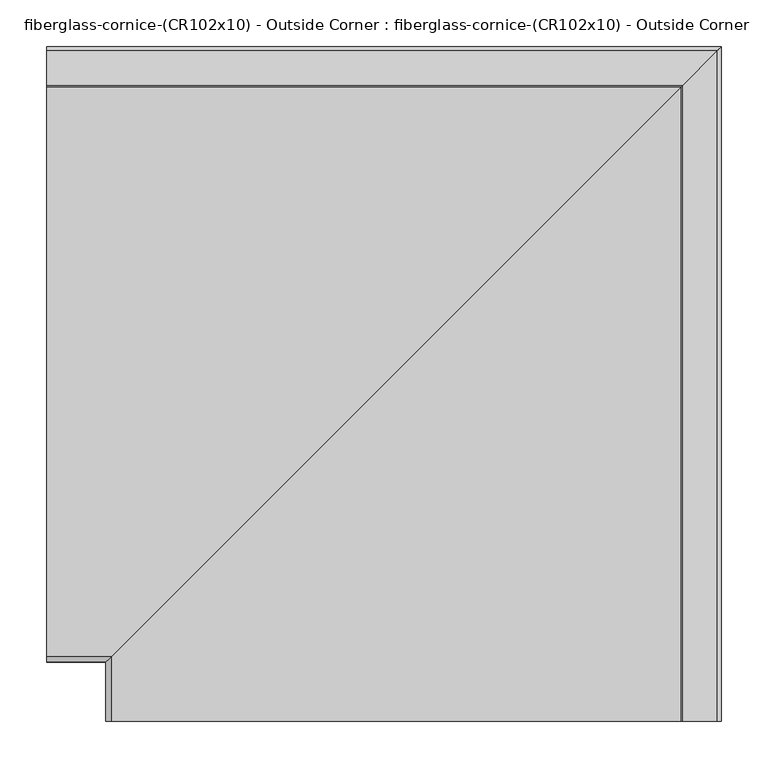
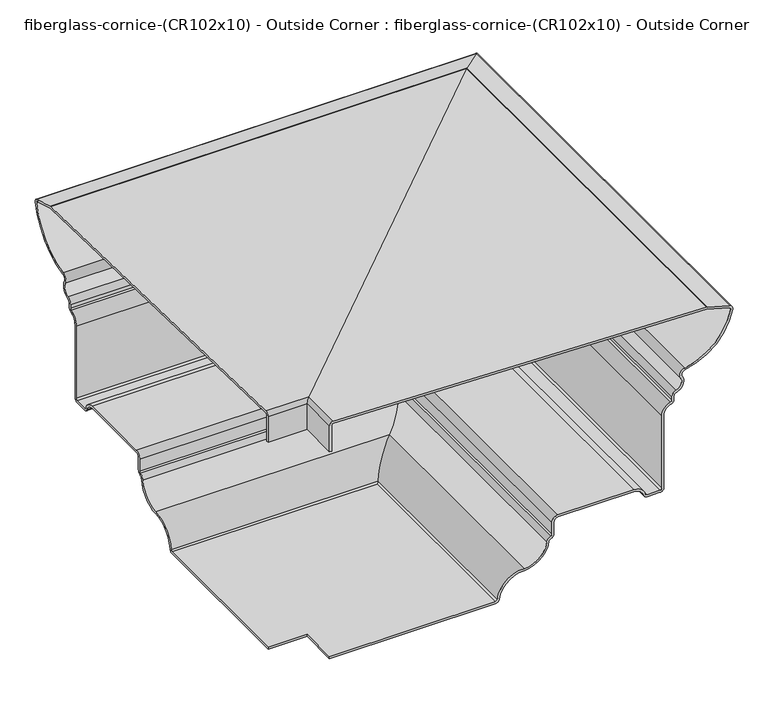
"""IFC4 building model written with IfcOpenShell, lengths in millimetres: furniture geometry, fiberglass-cornice-(CR102x10) - Outside Corner : fiberglass-cornice-(CR102x10) - Outside Corner."""

from ifc_helpers import new_model, si_unit, frame, origin, place, context, project, spatial, polyline, circle_curve, ellipse_curve, source, transform, mapped, element, save
from ifc_brep_helpers import plane_surface, cylinder_surface, revolved_surface, advanced_brep


def fiberglass_cornice_cr102x10_outside_corner_fiberglass_bb05f193(model_context):
    return source(origin(), model_context, "Body", "AdvancedBrep", [
        advanced_brep(
        [(-196.9488213, 107.9495329, 330.1999904), (-196.9488213, 717.7086559, 313.5475713), (-196.9488213, 719.2856225, 313.3039444), (-196.9488213, 756.4174474, 302.6565623), (-196.9488213, 760.8980647, 295.3584359), (-196.9488213, 682.8713075, 217.5386974), (-196.9488213, 678.6264726, 207.9971322), (-196.9488213, 669.2511578, 183.8308465), (-196.9488213, 664.6791578, 177.7348465), (-196.9488213, 664.6791187, 172.2697206), (-196.9488213, 660.1071578, 166.1959893), (-196.9488213, 648.3505863, 150.5205608), (-196.9488213, 648.3505455, 26.2647651), (-196.9488213, 642.0005863, 19.8919893), (-196.9488213, 621.1363006, 19.8919895), (-196.9488213, 615.0403006, 24.4639893), (-196.9488213, 599.3648721, 36.2205608), (-196.9488213, 475.0862804, 36.2205628), (-196.9488213, 468.7363592, 29.8432847), (-196.9488213, 468.7363592, 9.2312294), (-196.9488213, 464.4394788, 3.2223246), (-196.9488213, 460.2004552, -1.9317744), (-196.9488213, 419.7505863, -37.2580107), (-196.9488213, 379.3007175, -72.5842469), (-196.9488213, 373.0085156, -78.0794392), (-196.9488213, 101.6, -78.0794391), (-196.9488213, 101.6, -74.586939), (-196.9488213, 373.0085156, -74.586939), (-196.9488213, 375.8400065, -72.1141027), (-196.9488213, 419.7505863, -33.7655107), (-196.9488213, 456.7397442, -1.4616302), (-196.9488213, 463.3102308, 6.5272232), (-196.9488213, 465.2437655, 9.2170513), (-196.9488213, 465.2437655, 29.8705596), (-196.9488213, 475.0816126, 39.7130597), (-196.9488213, 599.3582193, 39.7130597), (-196.9488213, 618.3931006, 25.4418893), (-196.9488213, 621.1363006, 23.3844893), (-196.9488213, 642.0006243, 23.3844864), (-196.9488213, 644.8580709, 26.2326075), (-196.9488213, 644.8580709, 150.5205679), (-196.9488213, 659.1292578, 169.5487893), (-196.9488213, 661.1866442, 172.2831722), (-196.9488213, 661.1866442, 177.7348417), (-196.9488213, 668.2732578, 187.1836465), (-196.9488213, 675.6432969, 206.1810322), (-196.9488213, 682.2227911, 220.9704583), (-196.9488213, 757.4680388, 296.0160672), (-196.9488213, 755.4396445, 299.3036814), (-196.9488213, 718.1684462, 309.9910516), (-196.9488213, 107.9694373, 326.7211389), (-196.9488213, 105.0925938, 323.8703182), (-196.9488213, 105.0925938, 279.4641155), (-196.9488213, 101.6002384, 279.4641155), (-196.9488213, 101.6002384, 323.8166176), (-127.0000697, 38.0007813, 330.1999904), (-133.3493642, 38.0007813, 323.8166176), (-133.3493642, 38.0007813, 279.4641155), (-129.8570088, 38.0007813, 279.4641155), (-129.8570088, 38.0007813, 323.8703182), (-126.9801653, 38.0007813, 326.7211389), (483.2188436, 38.0007813, 309.9910516), (520.4900419, 38.0007813, 299.3036814), (522.5184362, 38.0007813, 296.0160672), (447.2731885, 38.0007813, 220.9704583), (440.6936943, 38.0007813, 206.1810322), (433.3236552, 38.0007813, 187.1836465), (426.2370552, 38.0007813, 177.7348465), (426.2370416, 38.0007813, 172.2831722), (424.1796552, 38.0007813, 169.5487893), (409.9084838, 38.0007813, 150.5205608), (409.9084683, 38.0007813, 26.2326075), (407.0509838, 38.0007813, 23.3844893), (386.1866542, 38.0007813, 23.3844864), (383.443498, 38.0007813, 25.4418893), (364.4086167, 38.0007813, 39.7130597), (240.13201, 38.0007813, 39.7130597), (230.294198, 38.0007813, 29.8705608), (230.2941629, 38.0007813, 9.2170513), (228.3606282, 38.0007813, 6.5272232), (221.7901416, 38.0007813, -1.4616302), (184.8009838, 38.0007813, -33.7655107), (140.8904039, 38.0007813, -72.1141027), (138.058913, 38.0007813, -74.5869392), (-133.3496026, 38.0007813, -74.586939), (-133.3496026, 38.0007813, -78.0794391), (138.058913, 38.0007813, -78.0794391), (144.3511149, 38.0007813, -72.5842469), (184.8009838, 38.0007813, -37.2580107), (225.2508526, 38.0007813, -1.9317744), (229.4898762, 38.0007813, 3.2223246), (233.786698, 38.0007813, 9.2312312), (233.7867566, 38.0007813, 29.8432847), (240.136698, 38.0007813, 36.2205608), (364.4152232, 38.0007813, 36.2205628), (380.090698, 38.0007813, 24.4639893), (386.186698, 38.0007813, 19.8919893), (407.0509838, 38.0007813, 19.8919895), (413.4009429, 38.0007813, 26.2647651), (413.4009429, 38.0007813, 150.5205679), (425.1575552, 38.0007813, 166.1959893), (429.7295161, 38.0007813, 172.2697206), (429.7295161, 38.0007813, 177.7348417), (434.3015552, 38.0007813, 183.8308465), (443.67687, 38.0007813, 207.9971322), (447.9217049, 38.0007813, 217.5386974), (525.9484621, 38.0007813, 295.3584359), (521.4678448, 38.0007813, 302.6565623), (484.336073, 38.0007813, 313.3039373), (482.7590757, 38.0007813, 313.547566), (-127.0000697, 107.9495329, 330.1999904), (482.7590533, 717.7086559, 313.5475713), (484.3360199, 719.2856225, 313.3039444), (521.4678448, 756.4174474, 302.6565623), (525.9484621, 760.8980647, 295.3584359), (447.9217049, 682.8713075, 217.5386974), (443.67687, 678.6264726, 207.9971322), (434.3015552, 669.2511578, 183.8308465), (429.7295552, 664.6791578, 177.7348465), (429.7295161, 664.6791187, 172.2697206), (425.1575552, 660.1071578, 166.1959893), (413.4009838, 648.3505863, 150.5205608), (413.4009429, 648.3505455, 26.2647651), (407.0509838, 642.0005863, 19.8919893), (386.186698, 621.1363006, 19.8919895), (380.090698, 615.0403006, 24.4639893), (364.4152695, 599.3648721, 36.2205608), (240.136698, 475.0863006, 36.2205628), (233.7867566, 468.7363592, 29.8432847), (233.7867566, 468.7363592, 9.2312294), (229.4898762, 464.4394788, 3.2223246), (225.2508526, 460.2004552, -1.9317744), (184.8009838, 419.7505863, -37.2580107), (144.3511149, 379.3007175, -72.5842469), (138.058913, 373.0085156, -78.0794392), (-133.3496026, 101.6, -78.0794391), (-133.3496026, 101.6, -74.586939), (138.058913, 373.0085156, -74.586939), (140.8904039, 375.8400065, -72.1141027), (184.8009838, 419.7505863, -33.7655107), (221.7901416, 456.7397442, -1.4616302), (228.3606282, 463.3102308, 6.5272232), (230.2941629, 465.2437655, 9.2170513), (230.2941629, 465.2437655, 29.8705596), (240.13201, 475.0816126, 39.7130597), (364.4086167, 599.3582193, 39.7130597), (383.443498, 618.3931006, 25.4418893), (386.186698, 621.1363006, 23.3844893), (407.0509838, 642.0005863, 23.3844864), (409.9084683, 644.8580709, 26.2326075), (409.9084683, 644.8580709, 150.5205679), (424.1796552, 659.1292578, 169.5487893), (426.2370416, 661.1866442, 172.2831722), (426.2370416, 661.1866442, 177.7348417), (433.3236552, 668.2732578, 187.1836465), (440.6936943, 675.6432969, 206.1810322), (447.2731885, 682.2227911, 220.9704583), (522.5184362, 757.4680388, 296.0160672), (520.4900419, 755.4396445, 299.3036814), (483.2188436, 718.1684462, 309.9910516), (-126.9801653, 107.9694373, 326.7211389), (-129.8570088, 105.0925938, 323.8703182), (-129.8570088, 105.0925938, 279.4641155), (-133.3493642, 101.6002384, 279.4641155), (-133.3493642, 101.6002384, 323.8166176)],
        [
            (0, 1),
            (1, 2, circle_curve(frame((-196.9488213, 717.5353253, 307.1999327), z_axis=(-1.0, 0.0, 0.0), x_axis=(0.0, 1.0, 0.0)), 6.35)),
            (2, 3),
            (3, 4, circle_curve(frame((-196.9488213, 754.6616541, 296.5541292), z_axis=(-1.0, 0.0, 0.0), x_axis=(0.0, 1.0, 0.0)), 6.35)),
            (4, 5, circle_curve(frame((-196.9488213, 664.6791578, 313.8062751), z_axis=(-1.0, 0.0, 0.0), x_axis=(0.0, 1.0, 0.0)), 97.9714286)),
            (5, 6, circle_curve(frame((-196.9488213, 684.0504283, 211.2991322), z_axis=(1.0, 0.0, 0.0), x_axis=(0.0, 1.0, 0.0)), 6.35)),
            (6, 7, circle_curve(frame((-196.9488213, 664.6791578, 199.5062751), z_axis=(-1.0, 0.0, 0.0), x_axis=(0.0, 1.0, 0.0)), 16.3285714)),
            (7, 8, circle_curve(frame((-196.9488213, 671.0291578, 177.7348465), z_axis=(1.0, 0.0, 0.0), x_axis=(0.0, 1.0, 0.0)), 6.35)),
            (8, 9),
            (9, 10, circle_curve(frame((-196.9488213, 658.3291578, 172.2919893), z_axis=(-1.0, 0.0, 0.0), x_axis=(0.0, 1.0, 0.0)), 6.35)),
            (10, 11, circle_curve(frame((-196.9488213, 664.6791578, 150.5205608), z_axis=(1.0, 0.0, 0.0), x_axis=(0.0, 1.0, 0.0)), 16.3285714)),
            (11, 12),
            (12, 13, circle_curve(frame((-196.9488213, 642.0005863, 26.2419893), z_axis=(-1.0, 0.0, 0.0), x_axis=(0.0, 1.0, 0.0)), 6.35)),
            (13, 14),
            (14, 15, circle_curve(frame((-196.9488213, 621.1363006, 26.2419893), z_axis=(-1.0, 0.0, 0.0), x_axis=(0.0, 1.0, 0.0)), 6.35)),
            (15, 16, circle_curve(frame((-196.9488213, 599.3648721, 19.8919893), z_axis=(1.0, 0.0, 0.0), x_axis=(0.0, 1.0, 0.0)), 16.3285714)),
            (16, 17),
            (17, 18, circle_curve(frame((-196.9488213, 475.0863006, 29.8705608), z_axis=(1.0, 0.0, 0.0), x_axis=(0.0, 1.0, 0.0)), 6.35)),
            (18, 19),
            (19, 20, circle_curve(frame((-196.9488213, 462.3863006, 9.2312312), z_axis=(-1.0, 0.0, 0.0), x_axis=(0.0, 1.0, 0.0)), 6.35)),
            (20, 21, circle_curve(frame((-196.9488213, 466.4926571, -2.7865821), z_axis=(1.0, 0.0, 0.0), x_axis=(0.0, 1.0, 0.0)), 6.35)),
            (21, 22, circle_curve(frame((-196.9488213, 419.7505863, 3.5634179), z_axis=(-1.0, 0.0, 0.0), x_axis=(0.0, 1.0, 0.0)), 40.8214286)),
            (22, 23, circle_curve(frame((-196.9488213, 419.7505863, -78.0794392), z_axis=(1.0, 0.0, 0.0), x_axis=(0.0, 1.0, 0.0)), 40.8214286)),
            (23, 24, circle_curve(frame((-196.9488213, 373.0085156, -71.7294392), z_axis=(-1.0, 0.0, 0.0), x_axis=(0.0, 1.0, 0.0)), 6.35)),
            (24, 25),
            (25, 26),
            (26, 27),
            (27, 28, circle_curve(frame((-196.9488213, 373.0085156, -71.7294392), z_axis=(1.0, 0.0, 0.0), x_axis=(0.0, 1.0, 0.0)), 2.8575)),
            (28, 29, circle_curve(frame((-196.9488213, 419.7505863, -78.0794392), z_axis=(-1.0, 0.0, 0.0), x_axis=(0.0, 1.0, 0.0)), 44.3139286)),
            (29, 30, circle_curve(frame((-196.9488213, 419.7505863, 3.5634179), z_axis=(1.0, 0.0, 0.0), x_axis=(0.0, 1.0, 0.0)), 37.3289286)),
            (30, 31, circle_curve(frame((-196.9488213, 466.4926571, -2.7865821), z_axis=(-1.0, 0.0, 0.0), x_axis=(0.0, 1.0, 0.0)), 9.8425)),
            (31, 32, circle_curve(frame((-196.9488213, 462.3863006, 9.2312312), z_axis=(1.0, 0.0, 0.0), x_axis=(0.0, 1.0, 0.0)), 2.8575)),
            (32, 33),
            (33, 34, circle_curve(frame((-196.9488213, 475.0863006, 29.8705608), z_axis=(-1.0, 0.0, 0.0), x_axis=(0.0, 1.0, 0.0)), 9.8425)),
            (34, 35),
            (35, 36, circle_curve(frame((-196.9488213, 599.3648721, 19.8919893), z_axis=(-1.0, 0.0, 0.0), x_axis=(0.0, 1.0, 0.0)), 19.8210714)),
            (36, 37, circle_curve(frame((-196.9488213, 621.1363006, 26.2419893), z_axis=(1.0, 0.0, 0.0), x_axis=(0.0, 1.0, 0.0)), 2.8575)),
            (37, 38),
            (38, 39, circle_curve(frame((-196.9488213, 642.0005863, 26.2419893), z_axis=(1.0, 0.0, 0.0), x_axis=(0.0, 1.0, 0.0)), 2.8575)),
            (39, 40),
            (40, 41, circle_curve(frame((-196.9488213, 664.6791578, 150.5205608), z_axis=(-1.0, 0.0, 0.0), x_axis=(0.0, 1.0, 0.0)), 19.8210714)),
            (41, 42, circle_curve(frame((-196.9488213, 658.3291578, 172.2919893), z_axis=(1.0, 0.0, 0.0), x_axis=(0.0, 1.0, 0.0)), 2.8575)),
            (42, 43),
            (43, 44, circle_curve(frame((-196.9488213, 671.0291578, 177.7348465), z_axis=(-1.0, 0.0, 0.0), x_axis=(0.0, 1.0, 0.0)), 9.8425)),
            (44, 45, circle_curve(frame((-196.9488213, 664.6791578, 199.5062751), z_axis=(1.0, 0.0, 0.0), x_axis=(0.0, 1.0, 0.0)), 12.8360714)),
            (45, 46, circle_curve(frame((-196.9488213, 684.0504283, 211.2991322), z_axis=(-1.0, 0.0, 0.0), x_axis=(0.0, 1.0, 0.0)), 9.8425)),
            (46, 47, circle_curve(frame((-196.9488213, 664.6791578, 313.8062751), z_axis=(1.0, 0.0, 0.0), x_axis=(0.0, 1.0, 0.0)), 94.4789286)),
            (47, 48, circle_curve(frame((-196.9488213, 754.6616541, 296.5541292), z_axis=(1.0, 0.0, 0.0), x_axis=(0.0, 1.0, 0.0)), 2.8575)),
            (48, 49),
            (49, 50),
            (50, 51, circle_curve(frame((-196.9488213, 107.9500861, 323.8637045), z_axis=(1.0, 0.0, 0.0), x_axis=(0.0, 1.0, 0.0)), 2.8575)),
            (51, 52),
            (52, 53),
            (53, 54),
            (54, 0, circle_curve(frame((-196.9488213, 107.9501507, 323.8499905), z_axis=(-1.0, 0.0, 0.0), x_axis=(0.0, 1.0, 0.0)), 6.35)),
            (55, 56, circle_curve(frame((-126.9994519, 38.0007813, 323.8499905), z_axis=(0.0, -1.0, 0.0), x_axis=(1.0, 0.0, 0.0)), 6.35)),
            (56, 57),
            (57, 58),
            (58, 59),
            (59, 60, circle_curve(frame((-126.9995165, 38.0007813, 323.8637045), z_axis=(0.0, 1.0, 0.0), x_axis=(1.0, 0.0, 0.0)), 2.8575)),
            (60, 61),
            (61, 62),
            (62, 63, circle_curve(frame((519.7120515, 38.0007813, 296.5541292), z_axis=(0.0, 1.0, 0.0), x_axis=(1.0, 0.0, 0.0)), 2.8575)),
            (63, 64, circle_curve(frame((429.7295552, 38.0007813, 313.8062751), z_axis=(0.0, 1.0, 0.0), x_axis=(1.0, 0.0, 0.0)), 94.4789286)),
            (64, 65, circle_curve(frame((449.1008257, 38.0007813, 211.2991322), z_axis=(0.0, -1.0, 0.0), x_axis=(1.0, 0.0, 0.0)), 9.8425)),
            (65, 66, circle_curve(frame((429.7295552, 38.0007813, 199.5062751), z_axis=(0.0, 1.0, 0.0), x_axis=(1.0, 0.0, 0.0)), 12.8360714)),
            (66, 67, circle_curve(frame((436.0795552, 38.0007813, 177.7348465), z_axis=(0.0, -1.0, 0.0), x_axis=(1.0, 0.0, 0.0)), 9.8425)),
            (67, 68),
            (68, 69, circle_curve(frame((423.3795552, 38.0007813, 172.2919893), z_axis=(0.0, 1.0, 0.0), x_axis=(1.0, 0.0, 0.0)), 2.8575)),
            (69, 70, circle_curve(frame((429.7295552, 38.0007813, 150.5205608), z_axis=(0.0, -1.0, 0.0), x_axis=(1.0, 0.0, 0.0)), 19.8210714)),
            (70, 71),
            (71, 72, circle_curve(frame((407.0509838, 38.0007813, 26.2419893), z_axis=(0.0, 1.0, 0.0), x_axis=(1.0, 0.0, 0.0)), 2.8575)),
            (72, 73),
            (73, 74, circle_curve(frame((386.186698, 38.0007813, 26.2419893), z_axis=(0.0, 1.0, 0.0), x_axis=(1.0, 0.0, 0.0)), 2.8575)),
            (74, 75, circle_curve(frame((364.4152695, 38.0007813, 19.8919893), z_axis=(0.0, -1.0, 0.0), x_axis=(1.0, 0.0, 0.0)), 19.8210714)),
            (75, 76),
            (76, 77, circle_curve(frame((240.136698, 38.0007813, 29.8705608), z_axis=(0.0, -1.0, 0.0), x_axis=(1.0, 0.0, 0.0)), 9.8425)),
            (77, 78),
            (78, 79, circle_curve(frame((227.436698, 38.0007813, 9.2312312), z_axis=(0.0, 1.0, 0.0), x_axis=(1.0, 0.0, 0.0)), 2.8575)),
            (79, 80, circle_curve(frame((231.5430545, 38.0007813, -2.7865821), z_axis=(0.0, -1.0, 0.0), x_axis=(1.0, 0.0, 0.0)), 9.8425)),
            (80, 81, circle_curve(frame((184.8009838, 38.0007813, 3.5634179), z_axis=(0.0, 1.0, 0.0), x_axis=(1.0, 0.0, 0.0)), 37.3289286)),
            (81, 82, circle_curve(frame((184.8009838, 38.0007813, -78.0794392), z_axis=(0.0, -1.0, 0.0), x_axis=(1.0, 0.0, 0.0)), 44.3139286)),
            (82, 83, circle_curve(frame((138.058913, 38.0007813, -71.7294392), z_axis=(0.0, 1.0, 0.0), x_axis=(1.0, 0.0, 0.0)), 2.8575)),
            (83, 84),
            (84, 85),
            (85, 86),
            (86, 87, circle_curve(frame((138.058913, 38.0007813, -71.7294392), z_axis=(0.0, -1.0, 0.0), x_axis=(1.0, 0.0, 0.0)), 6.35)),
            (87, 88, circle_curve(frame((184.8009838, 38.0007813, -78.0794392), z_axis=(0.0, 1.0, 0.0), x_axis=(1.0, 0.0, 0.0)), 40.8214286)),
            (88, 89, circle_curve(frame((184.8009838, 38.0007813, 3.5634179), z_axis=(0.0, -1.0, 0.0), x_axis=(1.0, 0.0, 0.0)), 40.8214286)),
            (89, 90, circle_curve(frame((231.5430545, 38.0007813, -2.7865821), z_axis=(0.0, 1.0, 0.0), x_axis=(1.0, 0.0, 0.0)), 6.35)),
            (90, 91, circle_curve(frame((227.436698, 38.0007813, 9.2312312), z_axis=(0.0, -1.0, 0.0), x_axis=(1.0, 0.0, 0.0)), 6.35)),
            (91, 92),
            (92, 93, circle_curve(frame((240.136698, 38.0007813, 29.8705608), z_axis=(0.0, 1.0, 0.0), x_axis=(1.0, 0.0, 0.0)), 6.35)),
            (93, 94),
            (94, 95, circle_curve(frame((364.4152695, 38.0007813, 19.8919893), z_axis=(0.0, 1.0, 0.0), x_axis=(1.0, 0.0, 0.0)), 16.3285714)),
            (95, 96, circle_curve(frame((386.186698, 38.0007813, 26.2419893), z_axis=(0.0, -1.0, 0.0), x_axis=(1.0, 0.0, 0.0)), 6.35)),
            (96, 97),
            (97, 98, circle_curve(frame((407.0509838, 38.0007813, 26.2419893), z_axis=(0.0, -1.0, 0.0), x_axis=(1.0, 0.0, 0.0)), 6.35)),
            (98, 99),
            (99, 100, circle_curve(frame((429.7295552, 38.0007813, 150.5205608), z_axis=(0.0, 1.0, 0.0), x_axis=(1.0, 0.0, 0.0)), 16.3285714)),
            (100, 101, circle_curve(frame((423.3795552, 38.0007813, 172.2919893), z_axis=(0.0, -1.0, 0.0), x_axis=(1.0, 0.0, 0.0)), 6.35)),
            (101, 102),
            (102, 103, circle_curve(frame((436.0795552, 38.0007813, 177.7348465), z_axis=(0.0, 1.0, 0.0), x_axis=(1.0, 0.0, 0.0)), 6.35)),
            (103, 104, circle_curve(frame((429.7295552, 38.0007813, 199.5062751), z_axis=(0.0, -1.0, 0.0), x_axis=(1.0, 0.0, 0.0)), 16.3285714)),
            (104, 105, circle_curve(frame((449.1008257, 38.0007813, 211.2991322), z_axis=(0.0, 1.0, 0.0), x_axis=(1.0, 0.0, 0.0)), 6.35)),
            (105, 106, circle_curve(frame((429.7295552, 38.0007813, 313.8062751), z_axis=(0.0, -1.0, 0.0), x_axis=(1.0, 0.0, 0.0)), 97.9714286)),
            (106, 107, circle_curve(frame((519.7120515, 38.0007813, 296.5541292), z_axis=(0.0, -1.0, 0.0), x_axis=(1.0, 0.0, 0.0)), 6.35)),
            (107, 108),
            (108, 109, circle_curve(frame((482.5857227, 38.0007813, 307.1999327), z_axis=(0.0, -1.0, 0.0), x_axis=(1.0, 0.0, 0.0)), 6.35)),
            (109, 55),
            (0, 110),
            (110, 111),
            (111, 1),
            (111, 112, ellipse_curve(frame((482.5857227, 717.5353253, 307.1999327), z_axis=(-0.7071067811865563, 0.7071067811865387, 0.0), x_axis=(-0.7071067811865387, -0.7071067811865565, 0.0)), 8.9802561, 6.35)),
            (112, 2),
            (112, 113),
            (113, 3),
            (113, 114, ellipse_curve(frame((519.7120515, 754.6616541, 296.5541292), z_axis=(-0.7071067811865563, 0.7071067811865387, 0.0), x_axis=(-0.7071067811865387, -0.7071067811865565, 0.0)), 8.9802561, 6.35)),
            (114, 4),
            (114, 115, ellipse_curve(frame((429.7295552, 664.6791578, 313.8062751), z_axis=(-0.7071067811865563, 0.7071067811865387, 0.0), x_axis=(-0.7071067811865387, -0.7071067811865565, 0.0)), 138.552523, 97.9714286)),
            (115, 5),
            (115, 116, ellipse_curve(frame((449.1008257, 684.0504283, 211.2991322), z_axis=(0.7071067811865563, -0.7071067811865387, 0.0), x_axis=(0.7071067811865387, 0.7071067811865565, 0.0)), 8.9802561, 6.35)),
            (116, 6),
            (116, 117, ellipse_curve(frame((429.7295552, 664.6791578, 199.5062751), z_axis=(-0.7071067811865563, 0.7071067811865387, 0.0), x_axis=(-0.7071067811865387, -0.7071067811865565, 0.0)), 23.0920872, 16.3285714)),
            (117, 7),
            (117, 118, ellipse_curve(frame((436.0795552, 671.0291578, 177.7348465), z_axis=(0.7071067811865563, -0.7071067811865387, 0.0), x_axis=(0.7071067811865387, 0.7071067811865565, 0.0)), 8.9802561, 6.35)),
            (118, 8),
            (118, 119),
            (119, 9),
            (119, 120, ellipse_curve(frame((423.3795552, 658.3291578, 172.2919893), z_axis=(-0.7071067811865563, 0.7071067811865387, 0.0), x_axis=(-0.7071067811865387, -0.7071067811865565, 0.0)), 8.9802561, 6.35)),
            (120, 10),
            (120, 121, ellipse_curve(frame((429.7295552, 664.6791578, 150.5205608), z_axis=(0.7071067811865563, -0.7071067811865387, 0.0), x_axis=(0.7071067811865387, 0.7071067811865565, 0.0)), 23.0920872, 16.3285714)),
            (121, 11),
            (121, 122),
            (122, 12),
            (122, 123, ellipse_curve(frame((407.0509838, 642.0005863, 26.2419893), z_axis=(-0.7071067811865563, 0.7071067811865387, 0.0), x_axis=(-0.7071067811865387, -0.7071067811865565, 0.0)), 8.9802561, 6.35)),
            (123, 13),
            (123, 97),
            (96, 124),
            (124, 14),
            (124, 125, ellipse_curve(frame((386.186698, 621.1363006, 26.2419893), z_axis=(-0.7071067811865563, 0.7071067811865387, 0.0), x_axis=(-0.7071067811865387, -0.7071067811865565, 0.0)), 8.9802561, 6.35)),
            (125, 15),
            (125, 126, ellipse_curve(frame((364.4152695, 599.3648721, 19.8919893), z_axis=(0.7071067811865563, -0.7071067811865387, 0.0), x_axis=(0.7071067811865387, 0.7071067811865565, 0.0)), 23.0920872, 16.3285714)),
            (126, 16),
            (126, 94),
            (93, 127),
            (127, 17),
            (127, 128, ellipse_curve(frame((240.136698, 475.0863006, 29.8705608), z_axis=(0.7071067811865563, -0.7071067811865387, 0.0), x_axis=(0.7071067811865387, 0.7071067811865565, 0.0)), 8.9802561, 6.35)),
            (128, 18),
            (128, 129),
            (129, 19),
            (129, 130, ellipse_curve(frame((227.436698, 462.3863006, 9.2312312), z_axis=(-0.7071067811865563, 0.7071067811865387, 0.0), x_axis=(-0.7071067811865387, -0.7071067811865565, 0.0)), 8.9802561, 6.35)),
            (130, 20),
            (130, 131, ellipse_curve(frame((231.5430545, 466.4926571, -2.7865821), z_axis=(0.7071067811865563, -0.7071067811865387, 0.0), x_axis=(0.7071067811865387, 0.7071067811865565, 0.0)), 8.9802561, 6.35)),
            (131, 21),
            (131, 132, ellipse_curve(frame((184.8009838, 419.7505863, 3.5634179), z_axis=(-0.7071067811865563, 0.7071067811865387, 0.0), x_axis=(-0.7071067811865387, -0.7071067811865565, 0.0)), 57.7302179, 40.8214286)),
            (132, 22),
            (132, 133, ellipse_curve(frame((184.8009838, 419.7505863, -78.0794392), z_axis=(0.7071067811865563, -0.7071067811865387, 0.0), x_axis=(0.7071067811865387, 0.7071067811865565, 0.0)), 57.7302179, 40.8214286)),
            (133, 23),
            (133, 134, ellipse_curve(frame((138.058913, 373.0085156, -71.7294392), z_axis=(-0.7071067811865563, 0.7071067811865387, 0.0), x_axis=(-0.7071067811865387, -0.7071067811865565, 0.0)), 8.9802561, 6.35)),
            (134, 24),
            (134, 86),
            (85, 135),
            (135, 25),
            (135, 136),
            (136, 26),
            (136, 84),
            (83, 137),
            (137, 27),
            (137, 138, ellipse_curve(frame((138.058913, 373.0085156, -71.7294392), z_axis=(0.7071067811865563, -0.7071067811865387, 0.0), x_axis=(0.7071067811865387, 0.7071067811865565, 0.0)), 4.0411153, 2.8575)),
            (138, 28),
            (138, 139, ellipse_curve(frame((184.8009838, 419.7505863, -78.0794392), z_axis=(-0.7071067811865563, 0.7071067811865387, 0.0), x_axis=(-0.7071067811865387, -0.7071067811865565, 0.0)), 62.6693588, 44.3139286)),
            (139, 29),
            (139, 140, ellipse_curve(frame((184.8009838, 419.7505863, 3.5634179), z_axis=(0.7071067811865563, -0.7071067811865387, 0.0), x_axis=(0.7071067811865387, 0.7071067811865565, 0.0)), 52.7910771, 37.3289286)),
            (140, 30),
            (140, 141, ellipse_curve(frame((231.5430545, 466.4926571, -2.7865821), z_axis=(-0.7071067811865563, 0.7071067811865387, 0.0), x_axis=(-0.7071067811865387, -0.7071067811865565, 0.0)), 13.919397, 9.8425)),
            (141, 31),
            (141, 142, ellipse_curve(frame((227.436698, 462.3863006, 9.2312312), z_axis=(0.7071067811865563, -0.7071067811865387, 0.0), x_axis=(0.7071067811865387, 0.7071067811865565, 0.0)), 4.0411153, 2.8575)),
            (142, 32),
            (142, 143),
            (143, 33),
            (143, 144, ellipse_curve(frame((240.136698, 475.0863006, 29.8705608), z_axis=(-0.7071067811865563, 0.7071067811865387, 0.0), x_axis=(-0.7071067811865387, -0.7071067811865565, 0.0)), 13.919397, 9.8425)),
            (144, 34),
            (144, 76),
            (75, 145),
            (145, 35),
            (145, 146, ellipse_curve(frame((364.4152695, 599.3648721, 19.8919893), z_axis=(-0.7071067811865563, 0.7071067811865387, 0.0), x_axis=(-0.7071067811865387, -0.7071067811865565, 0.0)), 28.031228, 19.8210714)),
            (146, 36),
            (146, 147, ellipse_curve(frame((386.186698, 621.1363006, 26.2419893), z_axis=(0.7071067811865563, -0.7071067811865387, 0.0), x_axis=(0.7071067811865387, 0.7071067811865565, 0.0)), 4.0411153, 2.8575)),
            (147, 37),
            (147, 73),
            (72, 148),
            (148, 38),
            (148, 149, ellipse_curve(frame((407.0509838, 642.0005863, 26.2419893), z_axis=(0.7071067811865563, -0.7071067811865387, 0.0), x_axis=(0.7071067811865387, 0.7071067811865565, 0.0)), 4.0411153, 2.8575)),
            (149, 39),
            (149, 150),
            (150, 40),
            (150, 151, ellipse_curve(frame((429.7295552, 664.6791578, 150.5205608), z_axis=(-0.7071067811865563, 0.7071067811865387, 0.0), x_axis=(-0.7071067811865387, -0.7071067811865565, 0.0)), 28.031228, 19.8210714)),
            (151, 41),
            (151, 152, ellipse_curve(frame((423.3795552, 658.3291578, 172.2919893), z_axis=(0.7071067811865563, -0.7071067811865387, 0.0), x_axis=(0.7071067811865387, 0.7071067811865565, 0.0)), 4.0411153, 2.8575)),
            (152, 42),
            (152, 153),
            (153, 43),
            (153, 154, ellipse_curve(frame((436.0795552, 671.0291578, 177.7348465), z_axis=(-0.7071067811865563, 0.7071067811865387, 0.0), x_axis=(-0.7071067811865387, -0.7071067811865565, 0.0)), 13.919397, 9.8425)),
            (154, 44),
            (154, 155, ellipse_curve(frame((429.7295552, 664.6791578, 199.5062751), z_axis=(0.7071067811865563, -0.7071067811865387, 0.0), x_axis=(0.7071067811865387, 0.7071067811865565, 0.0)), 18.1529463, 12.8360714)),
            (155, 45),
            (155, 156, ellipse_curve(frame((449.1008257, 684.0504283, 211.2991322), z_axis=(-0.7071067811865563, 0.7071067811865387, 0.0), x_axis=(-0.7071067811865387, -0.7071067811865565, 0.0)), 13.919397, 9.8425)),
            (156, 46),
            (156, 157, ellipse_curve(frame((429.7295552, 664.6791578, 313.8062751), z_axis=(0.7071067811865563, -0.7071067811865387, 0.0), x_axis=(0.7071067811865387, 0.7071067811865565, 0.0)), 133.6133821, 94.4789286)),
            (157, 47),
            (157, 158, ellipse_curve(frame((519.7120515, 754.6616541, 296.5541292), z_axis=(0.7071067811865563, -0.7071067811865387, 0.0), x_axis=(0.7071067811865387, 0.7071067811865565, 0.0)), 4.0411153, 2.8575)),
            (158, 48),
            (158, 159),
            (159, 49),
            (159, 160),
            (160, 50),
            (160, 161, ellipse_curve(frame((-126.9995165, 107.9500861, 323.8637045), z_axis=(0.7071067811865563, -0.7071067811865387, 0.0), x_axis=(0.7071067811865387, 0.7071067811865565, 0.0)), 4.0411153, 2.8575)),
            (161, 51),
            (161, 162),
            (162, 52),
            (162, 58),
            (57, 163),
            (163, 53),
            (163, 164),
            (164, 54),
            (164, 110, ellipse_curve(frame((-126.9994519, 107.9501507, 323.8499905), z_axis=(-0.7071067811865563, 0.7071067811865387, 0.0), x_axis=(-0.7071067811865387, -0.7071067811865565, 0.0)), 8.9802561, 6.35)),
            (110, 55),
            (109, 111),
            (108, 112),
            (107, 113),
            (106, 114),
            (105, 115),
            (104, 116),
            (103, 117),
            (102, 118),
            (101, 119),
            (100, 120),
            (99, 121),
            (98, 122),
            (95, 125),
            (92, 128),
            (91, 129),
            (90, 130),
            (89, 131),
            (88, 132),
            (87, 133),
            (82, 138),
            (81, 139),
            (80, 140),
            (79, 141),
            (78, 142),
            (77, 143),
            (74, 146),
            (71, 149),
            (70, 150),
            (69, 151),
            (68, 152),
            (67, 153),
            (66, 154),
            (65, 155),
            (64, 156),
            (63, 157),
            (62, 158),
            (61, 159),
            (60, 160),
            (59, 161),
            (56, 164),
        ],
        [
            plane_surface(frame((-196.9488213, 101.6, 330.1999904), z_axis=(-1.0, 0.0, 0.0), x_axis=(0.0, 0.0, 1.0))),
            plane_surface(frame((-133.3496026, 38.0007813, 330.1999904), z_axis=(0.0, -1.0, 0.0), x_axis=(0.0, 0.0, 1.0))),
            plane_surface(frame((-196.9488213, 107.9495329, 330.1999904), z_axis=(0.0, 0.027299653345547646, 0.9996272950091013), x_axis=(1.0, 0.0, 0.0))),
            cylinder_surface(frame((-196.9488213, 717.5353253, 307.1999327), z_axis=(-1.0, 0.0, 0.0), x_axis=(0.0, 1.0, 0.0)), 6.35),
            plane_surface(frame((-196.9488213, 719.2856756, 313.3039373), z_axis=(0.0, 0.2756376140679433, 0.9612616218860147), x_axis=(1.0, 0.0, 0.0))),
            cylinder_surface(frame((-196.9488213, 754.6616541, 296.5541292), z_axis=(-1.0, 0.0, 0.0), x_axis=(0.0, 1.0, 0.0)), 6.35),
            cylinder_surface(frame((-196.9488213, 664.6791578, 313.8062751), z_axis=(-1.0, 0.0, 0.0), x_axis=(0.0, 1.0, 0.0)), 97.9714286),
            revolved_surface(polyline([(455.4508256851018, 690.4004283, 211.2991322), (-196.9488213, 690.4004283, 211.2991322)]), (-196.9488213, 684.0504283, 211.2991322), (1.0, 0.0, 0.0)),
            cylinder_surface(frame((-196.9488213, 664.6791578, 199.5062751), z_axis=(-1.0, 0.0, 0.0), x_axis=(0.0, 1.0, 0.0)), 16.3285714),
            revolved_surface(polyline([(442.4295551851019, 677.3791578, 177.7348465), (-196.9488213, 677.3791578, 177.7348465)]), (-196.9488213, 671.0291578, 177.7348465), (1.0, 0.0, 0.0)),
            plane_surface(frame((-196.9488213, 664.6791187, 177.7348417), z_axis=(0.0, 1.0, 0.0), x_axis=(1.0, 0.0, 0.0))),
            cylinder_surface(frame((-196.9488213, 658.3291578, 172.2919893), z_axis=(-1.0, 0.0, 0.0), x_axis=(0.0, 1.0, 0.0)), 6.35),
            revolved_surface(polyline([(446.0581266508709, 681.0077292, 150.5205608), (-196.9488213, 681.0077292, 150.5205608)]), (-196.9488213, 664.6791578, 150.5205608), (1.0, 0.0, 0.0)),
            plane_surface(frame((-196.9488213, 648.3505455, 150.5205679), z_axis=(0.0, 1.0, 0.0), x_axis=(1.0, 0.0, 0.0))),
            cylinder_surface(frame((-196.9488213, 642.0005863, 26.2419893), z_axis=(-1.0, 0.0, 0.0), x_axis=(0.0, 1.0, 0.0)), 6.35),
            plane_surface(frame((-196.9488213, 642.0005863, 19.8919895), z_axis=(0.0, 0.0, -1.0), x_axis=(1.0, 0.0, 0.0))),
            cylinder_surface(frame((-196.9488213, 621.1363006, 26.2419893), z_axis=(-1.0, 0.0, 0.0), x_axis=(0.0, 1.0, 0.0)), 6.35),
            revolved_surface(polyline([(380.7438409508709, 615.6934435, 19.8919893), (-196.9488213, 615.6934435, 19.8919893)]), (-196.9488213, 599.3648721, 19.8919893), (1.0, 0.0, 0.0)),
            plane_surface(frame((-196.9488213, 599.3648258, 36.2205628), z_axis=(0.0, 0.0, -1.0), x_axis=(1.0, 0.0, 0.0))),
            revolved_surface(polyline([(246.48669798510176, 481.43630060000004, 29.8705608), (-196.9488213, 481.43630060000004, 29.8705608)]), (-196.9488213, 475.0863006, 29.8705608), (1.0, 0.0, 0.0)),
            plane_surface(frame((-196.9488213, 468.7363592, 29.8432847), z_axis=(0.0, 1.0, 0.0), x_axis=(1.0, 0.0, 0.0))),
            cylinder_surface(frame((-196.9488213, 462.3863006, 9.2312312), z_axis=(-1.0, 0.0, 0.0), x_axis=(0.0, 1.0, 0.0)), 6.35),
            revolved_surface(polyline([(237.89305448510177, 472.8426571, -2.7865821), (-196.9488213, 472.8426571, -2.7865821)]), (-196.9488213, 466.4926571, -2.7865821), (1.0, 0.0, 0.0)),
            cylinder_surface(frame((-196.9488213, 419.7505863, 3.5634179), z_axis=(-1.0, 0.0, 0.0), x_axis=(0.0, 1.0, 0.0)), 40.8214286),
            revolved_surface(polyline([(225.62241235646653, 460.5720149, -78.0794392), (-196.9488213, 460.5720149, -78.0794392)]), (-196.9488213, 419.7505863, -78.0794392), (1.0, 0.0, 0.0)),
            cylinder_surface(frame((-196.9488213, 373.0085156, -71.7294392), z_axis=(-1.0, 0.0, 0.0), x_axis=(0.0, 1.0, 0.0)), 6.35),
            plane_surface(frame((-196.9488213, 373.0085156, -78.0794391), z_axis=(0.0, 0.0, -1.0), x_axis=(1.0, 0.0, 0.0))),
            plane_surface(frame((-196.9488213, 101.6, -78.0794391), z_axis=(0.0, -1.0, 0.0), x_axis=(1.0, 0.0, 0.0))),
            plane_surface(frame((-196.9488213, 101.6, -74.586939), z_axis=(0.0, 0.0, 1.0), x_axis=(1.0, 0.0, 0.0))),
            revolved_surface(polyline([(140.91641303218668, 375.8660156, -71.7294392), (-196.9488213, 375.8660156, -71.7294392)]), (-196.9488213, 373.0085156, -71.7294392), (1.0, 0.0, 0.0)),
            cylinder_surface(frame((-196.9488213, 419.7505863, -78.0794392), z_axis=(-1.0, 0.0, 0.0), x_axis=(0.0, 1.0, 0.0)), 44.3139286),
            revolved_surface(polyline([(222.1299124035514, 457.0795149, 3.5634179), (-196.9488213, 457.0795149, 3.5634179)]), (-196.9488213, 419.7505863, 3.5634179), (1.0, 0.0, 0.0)),
            cylinder_surface(frame((-196.9488213, 466.4926571, -2.7865821), z_axis=(-1.0, 0.0, 0.0), x_axis=(0.0, 1.0, 0.0)), 9.8425),
            revolved_surface(polyline([(230.2941980321867, 465.24380060000004, 9.2312312), (-196.9488213, 465.24380060000004, 9.2312312)]), (-196.9488213, 462.3863006, 9.2312312), (1.0, 0.0, 0.0)),
            plane_surface(frame((-196.9488213, 465.2437655, 9.2170513), z_axis=(0.0, -1.0, 0.0), x_axis=(1.0, 0.0, 0.0))),
            cylinder_surface(frame((-196.9488213, 475.0863006, 29.8705608), z_axis=(-1.0, 0.0, 0.0), x_axis=(0.0, 1.0, 0.0)), 9.8425),
            plane_surface(frame((-196.9488213, 475.0816126, 39.7130597), z_axis=(0.0, 0.0, 1.0), x_axis=(1.0, 0.0, 0.0))),
            cylinder_surface(frame((-196.9488213, 599.3648721, 19.8919893), z_axis=(-1.0, 0.0, 0.0), x_axis=(0.0, 1.0, 0.0)), 19.8210714),
            revolved_surface(polyline([(389.0441980321866, 623.9938006, 26.2419893), (-196.9488213, 623.9938006, 26.2419893)]), (-196.9488213, 621.1363006, 26.2419893), (1.0, 0.0, 0.0)),
            plane_surface(frame((-196.9488213, 621.1362568, 23.3844864), z_axis=(0.0, 0.0, 1.0), x_axis=(1.0, 0.0, 0.0))),
            revolved_surface(polyline([(409.9084838321867, 644.8580863, 26.2419893), (-196.9488213, 644.8580863, 26.2419893)]), (-196.9488213, 642.0005863, 26.2419893), (1.0, 0.0, 0.0)),
            plane_surface(frame((-196.9488213, 644.8580709, 26.2326075), z_axis=(0.0, -1.0, 0.0), x_axis=(1.0, 0.0, 0.0))),
            cylinder_surface(frame((-196.9488213, 664.6791578, 150.5205608), z_axis=(-1.0, 0.0, 0.0), x_axis=(0.0, 1.0, 0.0)), 19.8210714),
            revolved_surface(polyline([(426.23705523218666, 661.1866577999999, 172.2919893), (-196.9488213, 661.1866577999999, 172.2919893)]), (-196.9488213, 658.3291578, 172.2919893), (1.0, 0.0, 0.0)),
            plane_surface(frame((-196.9488213, 661.1866442, 172.2831722), z_axis=(0.0, -1.0, 0.0), x_axis=(1.0, 0.0, 0.0))),
            cylinder_surface(frame((-196.9488213, 671.0291578, 177.7348465), z_axis=(-1.0, 0.0, 0.0), x_axis=(0.0, 1.0, 0.0)), 9.8425),
            revolved_surface(polyline([(442.56562662724514, 677.5152292, 199.5062751), (-196.9488213, 677.5152292, 199.5062751)]), (-196.9488213, 664.6791578, 199.5062751), (1.0, 0.0, 0.0)),
            cylinder_surface(frame((-196.9488213, 684.0504283, 211.2991322), z_axis=(-1.0, 0.0, 0.0), x_axis=(0.0, 1.0, 0.0)), 9.8425),
            revolved_surface(polyline([(524.2084837401782, 759.1580864, 313.8062751), (-196.9488213, 759.1580864, 313.8062751)]), (-196.9488213, 664.6791578, 313.8062751), (1.0, 0.0, 0.0)),
            revolved_surface(polyline([(522.5695515321867, 757.5191540999999, 296.5541292), (-196.9488213, 757.5191540999999, 296.5541292)]), (-196.9488213, 754.6616541, 296.5541292), (1.0, 0.0, 0.0)),
            plane_surface(frame((-196.9488213, 755.4396445, 299.3036814), z_axis=(0.0, -0.275637976487323, -0.9612615179637506), x_axis=(1.0, 0.0, 0.0))),
            plane_surface(frame((-196.9488213, 718.1684462, 309.9910516), z_axis=(0.0, -0.02740712876218281, -0.9996243540915823), x_axis=(1.0, 0.0, 0.0))),
            revolved_surface(polyline([(-124.14201646781332, 110.8075861, 323.8637045), (-196.9488213, 110.8075861, 323.8637045)]), (-196.9488213, 107.9500861, 323.8637045), (1.0, 0.0, 0.0)),
            plane_surface(frame((-196.9488213, 105.0925938, 323.8703182), z_axis=(0.0, 1.0, 0.0), x_axis=(1.0, 0.0, 0.0))),
            plane_surface(frame((-196.9488213, 105.0925938, 279.4641155), z_axis=(0.0, 0.0, -1.0), x_axis=(1.0, 0.0, 0.0))),
            plane_surface(frame((-196.9488213, 101.6002384, 279.4641155), z_axis=(0.0, -1.0, 0.0), x_axis=(1.0, 0.0, 0.0))),
            cylinder_surface(frame((-196.9488213, 107.9501507, 323.8499905), z_axis=(-1.0, 0.0, 0.0), x_axis=(0.0, 1.0, 0.0)), 6.35),
            plane_surface(frame((-127.0000697, 107.9495329, 330.1999904), z_axis=(0.02729965334554765, 0.0, 0.9996272950091013), x_axis=(0.0, -1.0, 0.0))),
            cylinder_surface(frame((482.5857227, 101.6, 307.1999327), z_axis=(0.0, 1.0, 0.0), x_axis=(1.0, 0.0, 0.0)), 6.35),
            plane_surface(frame((484.336073, 719.2856756, 313.3039373), z_axis=(0.27563761406794335, 0.0, 0.9612616218860147), x_axis=(0.0, -1.0, 0.0))),
            cylinder_surface(frame((519.7120515, 101.6, 296.5541292), z_axis=(0.0, 1.0, 0.0), x_axis=(1.0, 0.0, 0.0)), 6.35),
            cylinder_surface(frame((429.7295552, 101.6, 313.8062751), z_axis=(0.0, 1.0, 0.0), x_axis=(1.0, 0.0, 0.0)), 97.9714286),
            revolved_surface(polyline([(455.4508257, 38.0007813, 211.2991322), (455.4508257, 690.400428285102, 211.2991322)]), (449.1008257, 101.6, 211.2991322), (0.0, -1.0, 0.0)),
            cylinder_surface(frame((429.7295552, 101.6, 199.5062751), z_axis=(0.0, 1.0, 0.0), x_axis=(1.0, 0.0, 0.0)), 16.3285714),
            revolved_surface(polyline([(442.42955520000004, 38.0007813, 177.7348465), (442.42955520000004, 677.3791577851019, 177.7348465)]), (436.0795552, 101.6, 177.7348465), (0.0, -1.0, 0.0)),
            plane_surface(frame((429.7295161, 664.6791187, 177.7348417), z_axis=(1.0, 0.0, 0.0), x_axis=(0.0, -1.0, 0.0))),
            cylinder_surface(frame((423.3795552, 101.6, 172.2919893), z_axis=(0.0, 1.0, 0.0), x_axis=(1.0, 0.0, 0.0)), 6.35),
            revolved_surface(polyline([(446.0581266, 38.0007813, 150.5205608), (446.0581266, 681.0077292508713, 150.5205608)]), (429.7295552, 101.6, 150.5205608), (0.0, -1.0, 0.0)),
            plane_surface(frame((413.4009429, 648.3505455, 150.5205679), z_axis=(1.0, 0.0, 0.0), x_axis=(0.0, -1.0, 0.0))),
            cylinder_surface(frame((407.0509838, 101.6, 26.2419893), z_axis=(0.0, 1.0, 0.0), x_axis=(1.0, 0.0, 0.0)), 6.35),
            cylinder_surface(frame((386.186698, 101.6, 26.2419893), z_axis=(0.0, 1.0, 0.0), x_axis=(1.0, 0.0, 0.0)), 6.35),
            revolved_surface(polyline([(380.7438409, 38.0007813, 19.8919893), (380.7438409, 615.6934435508713, 19.8919893)]), (364.4152695, 101.6, 19.8919893), (0.0, -1.0, 0.0)),
            revolved_surface(polyline([(246.486698, 38.0007813, 29.8705608), (246.486698, 481.436300585102, 29.8705608)]), (240.136698, 101.6, 29.8705608), (0.0, -1.0, 0.0)),
            plane_surface(frame((233.7867566, 468.7363592, 29.8432847), z_axis=(1.0, 0.0, 0.0), x_axis=(0.0, -1.0, 0.0))),
            cylinder_surface(frame((227.436698, 101.6, 9.2312312), z_axis=(0.0, 1.0, 0.0), x_axis=(1.0, 0.0, 0.0)), 6.35),
            revolved_surface(polyline([(237.8930545, 38.0007813, -2.7865821), (237.8930545, 472.8426570851019, -2.7865821)]), (231.5430545, 101.6, -2.7865821), (0.0, -1.0, 0.0)),
            cylinder_surface(frame((184.8009838, 101.6, 3.5634179), z_axis=(0.0, 1.0, 0.0), x_axis=(1.0, 0.0, 0.0)), 40.8214286),
            revolved_surface(polyline([(225.6224124, 38.0007813, -78.0794392), (225.6224124, 460.5720148564675, -78.0794392)]), (184.8009838, 101.6, -78.0794392), (0.0, -1.0, 0.0)),
            cylinder_surface(frame((138.058913, 101.6, -71.7294392), z_axis=(0.0, 1.0, 0.0), x_axis=(1.0, 0.0, 0.0)), 6.35),
            plane_surface(frame((-133.3496026, 101.6, -78.0794391), z_axis=(-1.0, 0.0, 0.0), x_axis=(0.0, -1.0, 0.0))),
            revolved_surface(polyline([(140.91641299999998, 38.0007813, -71.7294392), (140.91641299999998, 375.86601563218676, -71.7294392)]), (138.058913, 101.6, -71.7294392), (0.0, -1.0, 0.0)),
            cylinder_surface(frame((184.8009838, 101.6, -78.0794392), z_axis=(0.0, 1.0, 0.0), x_axis=(1.0, 0.0, 0.0)), 44.3139286),
            revolved_surface(polyline([(222.12991240000002, 38.0007813, 3.5634179), (222.12991240000002, 457.0795149035523, 3.5634179)]), (184.8009838, 101.6, 3.5634179), (0.0, -1.0, 0.0)),
            cylinder_surface(frame((231.5430545, 101.6, -2.7865821), z_axis=(0.0, 1.0, 0.0), x_axis=(1.0, 0.0, 0.0)), 9.8425),
            revolved_surface(polyline([(230.294198, 38.0007813, 9.2312312), (230.294198, 465.2438006321868, 9.2312312)]), (227.436698, 101.6, 9.2312312), (0.0, -1.0, 0.0)),
            plane_surface(frame((230.2941629, 465.2437655, 9.2170513), z_axis=(-1.0, 0.0, 0.0), x_axis=(0.0, -1.0, 0.0))),
            cylinder_surface(frame((240.136698, 101.6, 29.8705608), z_axis=(0.0, 1.0, 0.0), x_axis=(1.0, 0.0, 0.0)), 9.8425),
            cylinder_surface(frame((364.4152695, 101.6, 19.8919893), z_axis=(0.0, 1.0, 0.0), x_axis=(1.0, 0.0, 0.0)), 19.8210714),
            revolved_surface(polyline([(389.044198, 38.0007813, 26.2419893), (389.044198, 623.9938006321868, 26.2419893)]), (386.186698, 101.6, 26.2419893), (0.0, -1.0, 0.0)),
            revolved_surface(polyline([(409.9084838, 38.0007813, 26.2419893), (409.9084838, 644.8580863321868, 26.2419893)]), (407.0509838, 101.6, 26.2419893), (0.0, -1.0, 0.0)),
            plane_surface(frame((409.9084683, 644.8580709, 26.2326075), z_axis=(-1.0, 0.0, 0.0), x_axis=(0.0, -1.0, 0.0))),
            cylinder_surface(frame((429.7295552, 101.6, 150.5205608), z_axis=(0.0, 1.0, 0.0), x_axis=(1.0, 0.0, 0.0)), 19.8210714),
            revolved_surface(polyline([(426.23705520000004, 38.0007813, 172.2919893), (426.23705520000004, 661.1866578321867, 172.2919893)]), (423.3795552, 101.6, 172.2919893), (0.0, -1.0, 0.0)),
            plane_surface(frame((426.2370416, 661.1866442, 172.2831722), z_axis=(-1.0, 0.0, 0.0), x_axis=(0.0, -1.0, 0.0))),
            cylinder_surface(frame((436.0795552, 101.6, 177.7348465), z_axis=(0.0, 1.0, 0.0), x_axis=(1.0, 0.0, 0.0)), 9.8425),
            revolved_surface(polyline([(442.5656266, 38.0007813, 199.5062751), (442.5656266, 677.5152292272454, 199.5062751)]), (429.7295552, 101.6, 199.5062751), (0.0, -1.0, 0.0)),
            cylinder_surface(frame((449.1008257, 101.6, 211.2991322), z_axis=(0.0, 1.0, 0.0), x_axis=(1.0, 0.0, 0.0)), 9.8425),
            revolved_surface(polyline([(524.2084838, 38.0007813, 313.8062751), (524.2084838, 759.1580863401805, 313.8062751)]), (429.7295552, 101.6, 313.8062751), (0.0, -1.0, 0.0)),
            revolved_surface(polyline([(522.5695515, 38.0007813, 296.5541292), (522.5695515, 757.5191541321867, 296.5541292)]), (519.7120515, 101.6, 296.5541292), (0.0, -1.0, 0.0)),
            plane_surface(frame((520.4900419, 755.4396445, 299.3036814), z_axis=(-0.2756379764873231, 0.0, -0.9612615179637506), x_axis=(0.0, -1.0, 0.0))),
            plane_surface(frame((483.2188436, 718.1684462, 309.9910516), z_axis=(-0.027407128762182813, 0.0, -0.9996243540915823), x_axis=(0.0, -1.0, 0.0))),
            revolved_surface(polyline([(-124.1420165, 38.0007813, 323.8637045), (-124.1420165, 110.80758613218674, 323.8637045)]), (-126.9995165, 101.6, 323.8637045), (0.0, -1.0, 0.0)),
            plane_surface(frame((-129.8570088, 105.0925938, 323.8703182), z_axis=(1.0, 0.0, 0.0), x_axis=(0.0, -1.0, 0.0))),
            plane_surface(frame((-133.3493642, 101.6002384, 279.4641155), z_axis=(-1.0, 0.0, 0.0), x_axis=(0.0, -1.0, 0.0))),
            cylinder_surface(frame((-126.9994519, 101.6, 323.8499905), z_axis=(0.0, 1.0, 0.0), x_axis=(1.0, 0.0, 0.0)), 6.35),
        ],
        [
            (0, [[1, 2, 3, 4, 5, 6, 7, 8, 9, 10, 11, 12, 13, 14, 15, 16, 17, 18, 19, 20, 21, 22, 23, 24, 25, 26, 27, 28, 29, 30, 31, 32, 33, 34, 35, 36, 37, 38, 39, 40, 41, 42, 43, 44, 45, 46, 47, 48, 49, 50, 51, 52, 53, 54, 55]]),
            (1, [[56, 57, 58, 59, 60, 61, 62, 63, 64, 65, 66, 67, 68, 69, 70, 71, 72, 73, 74, 75, 76, 77, 78, 79, 80, 81, 82, 83, 84, 85, 86, 87, 88, 89, 90, 91, 92, 93, 94, 95, 96, 97, 98, 99, 100, 101, 102, 103, 104, 105, 106, 107, 108, 109, 110]]),
            (2, [[-1, 111, 112, 113]]),
            (3, [[-2, -113, 114, 115]]),
            (4, [[-3, -115, 116, 117]]),
            (5, [[-4, -117, 118, 119]]),
            (6, [[-5, -119, 120, 121]]),
            (7, [[-6, -121, 122, 123]]),
            (8, [[-7, -123, 124, 125]]),
            (9, [[-8, -125, 126, 127]]),
            (10, [[-9, -127, 128, 129]]),
            (11, [[-10, -129, 130, 131]]),
            (12, [[-11, -131, 132, 133]]),
            (13, [[-12, -133, 134, 135]]),
            (14, [[-13, -135, 136, 137]]),
            (15, [[-14, -137, 138, -97, 139, 140]]),
            (16, [[-15, -140, 141, 142]]),
            (17, [[-16, -142, 143, 144]]),
            (18, [[-17, -144, 145, -94, 146, 147]]),
            (19, [[-18, -147, 148, 149]]),
            (20, [[-19, -149, 150, 151]]),
            (21, [[-20, -151, 152, 153]]),
            (22, [[-21, -153, 154, 155]]),
            (23, [[-22, -155, 156, 157]]),
            (24, [[-23, -157, 158, 159]]),
            (25, [[-24, -159, 160, 161]]),
            (26, [[-25, -161, 162, -86, 163, 164]]),
            (27, [[-26, -164, 165, 166]]),
            (28, [[-27, -166, 167, -84, 168, 169]]),
            (29, [[-28, -169, 170, 171]]),
            (30, [[-29, -171, 172, 173]]),
            (31, [[-30, -173, 174, 175]]),
            (32, [[-31, -175, 176, 177]]),
            (33, [[-32, -177, 178, 179]]),
            (34, [[-33, -179, 180, 181]]),
            (35, [[-34, -181, 182, 183]]),
            (36, [[-35, -183, 184, -76, 185, 186]]),
            (37, [[-36, -186, 187, 188]]),
            (38, [[-37, -188, 189, 190]]),
            (39, [[-38, -190, 191, -73, 192, 193]]),
            (40, [[-39, -193, 194, 195]]),
            (41, [[-40, -195, 196, 197]]),
            (42, [[-41, -197, 198, 199]]),
            (43, [[-42, -199, 200, 201]]),
            (44, [[-43, -201, 202, 203]]),
            (45, [[-44, -203, 204, 205]]),
            (46, [[-45, -205, 206, 207]]),
            (47, [[-46, -207, 208, 209]]),
            (48, [[-47, -209, 210, 211]]),
            (49, [[-48, -211, 212, 213]]),
            (50, [[-49, -213, 214, 215]]),
            (51, [[-50, -215, 216, 217]]),
            (52, [[-51, -217, 218, 219]]),
            (53, [[-52, -219, 220, 221]]),
            (54, [[-53, -221, 222, -58, 223, 224]]),
            (55, [[-54, -224, 225, 226]]),
            (56, [[-55, -226, 227, -111]]),
            (57, [[-112, 228, -110, 229]]),
            (58, [[-114, -229, -109, 230]]),
            (59, [[-116, -230, -108, 231]]),
            (60, [[-118, -231, -107, 232]]),
            (61, [[-120, -232, -106, 233]]),
            (62, [[-122, -233, -105, 234]]),
            (63, [[-124, -234, -104, 235]]),
            (64, [[-126, -235, -103, 236]]),
            (65, [[-128, -236, -102, 237]]),
            (66, [[-130, -237, -101, 238]]),
            (67, [[-132, -238, -100, 239]]),
            (68, [[-134, -239, -99, 240]]),
            (69, [[-136, -240, -98, -138]]),
            (70, [[-141, -139, -96, 241]]),
            (71, [[-143, -241, -95, -145]]),
            (72, [[-148, -146, -93, 242]]),
            (73, [[-150, -242, -92, 243]]),
            (74, [[-152, -243, -91, 244]]),
            (75, [[-154, -244, -90, 245]]),
            (76, [[-156, -245, -89, 246]]),
            (77, [[-158, -246, -88, 247]]),
            (78, [[-160, -247, -87, -162]]),
            (79, [[-165, -163, -85, -167]]),
            (80, [[-170, -168, -83, 248]]),
            (81, [[-172, -248, -82, 249]]),
            (82, [[-174, -249, -81, 250]]),
            (83, [[-176, -250, -80, 251]]),
            (84, [[-178, -251, -79, 252]]),
            (85, [[-180, -252, -78, 253]]),
            (86, [[-182, -253, -77, -184]]),
            (87, [[-187, -185, -75, 254]]),
            (88, [[-189, -254, -74, -191]]),
            (89, [[-194, -192, -72, 255]]),
            (90, [[-196, -255, -71, 256]]),
            (91, [[-198, -256, -70, 257]]),
            (92, [[-200, -257, -69, 258]]),
            (93, [[-202, -258, -68, 259]]),
            (94, [[-204, -259, -67, 260]]),
            (95, [[-206, -260, -66, 261]]),
            (96, [[-208, -261, -65, 262]]),
            (97, [[-210, -262, -64, 263]]),
            (98, [[-212, -263, -63, 264]]),
            (99, [[-214, -264, -62, 265]]),
            (100, [[-216, -265, -61, 266]]),
            (101, [[-218, -266, -60, 267]]),
            (102, [[-220, -267, -59, -222]]),
            (103, [[-225, -223, -57, 268]]),
            (104, [[-227, -268, -56, -228]]),
        ],
    ),
    ])


if __name__ == "__main__":
    model = new_model("IFC4")
    model_context = context("Model", 3, world=origin())
    ifc_project = project(units=[si_unit("LENGTHUNIT", "METRE", prefix="MILLI")], contexts=[model_context])
    site = spatial("IfcSite", under=ifc_project)
    building = spatial("IfcBuilding", under=site)
    placement = place(None, origin())
    fiberglass_cornice_cr102x10_outside_corner_fiberglass_shape = fiberglass_cornice_cr102x10_outside_corner_fiberglass_bb05f193(model_context)
    element("IfcFurniture", 1, ObjectType="fiberglass-cornice-(CR102x10) - Outside Corner : fiberglass-cornice-(CR102x10) - Outside Corner", at=placement, inside=building, context=model_context, shape_type="MappedRepresentation", body=[
        mapped(fiberglass_cornice_cr102x10_outside_corner_fiberglass_shape, transform((0.0, 0.0, 0.0), x_axis=(1.0, 0.0, 0.0), y_axis=(0.0, 1.0, 0.0), z_axis=(0.0, 0.0, 1.0))),
    ])
    save(model, "model.ifc")
